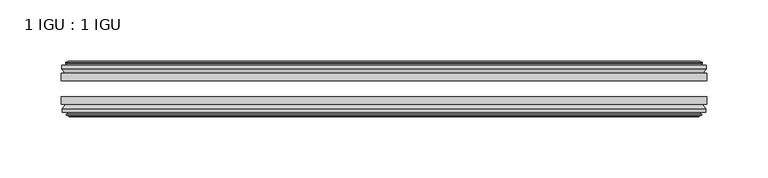
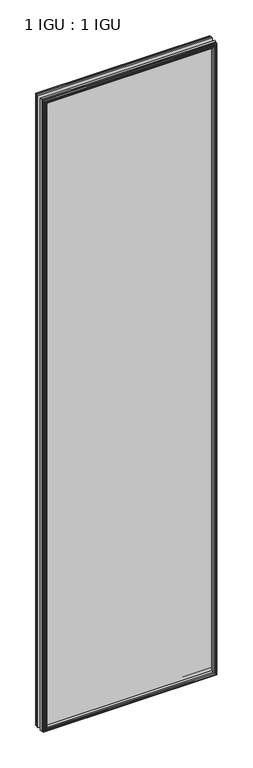
"""IFC4 building model written with IfcOpenShell, lengths in millimetres: plate geometry, 1 IGU : 1 IGU."""

from ifc_helpers import new_model, si_unit, frame, origin, place, context, project, spatial, polyline, outline, extrude, faceted_brep, source, transform, mapped, element, save


def plate_1_igu_1_igu_b132929a(model_context):
    return source(origin(), model_context, "Body", "SolidModel", [
        extrude(outline(polyline([(263.509125, -25.8960937), (263.509125, -32.2460938), (-263.509125, -32.2460938), (-263.509125, -25.8960937), (263.509125, -25.8960937)])), frame((0.0, 0.0, -12.7), z_axis=(0.0, 0.0, 1.0), x_axis=(1.0, 0.0, 0.0)), (0.0, 0.0, 1.0), 2019.3),
        extrude(outline(polyline([(-263.509125, -51.2960938), (-263.509125, -45.2686737), (263.509125, -45.2686737), (263.509125, -51.2960938), (-263.509125, -51.2960938)])), frame((0.0, 0.0, -12.7), z_axis=(0.0, 0.0, 1.0), x_axis=(1.0, 0.0, 0.0)), (0.0, 0.0, 1.0), 2019.3),
        faceted_brep([(-257.921125, -60.0262907, 2001.012), (-258.302125, -57.6460937, 2001.393), (-258.302125, -57.6460937, -7.493), (-257.921125, -60.0262907, -7.112), (-259.3366541, -59.5663575, 2002.4275291), (-259.3366541, -59.5663575, -8.5275291), (-259.3366541, -60.3675717, 2002.4275291), (-259.3366541, -60.3675717, -8.5275291), (-257.159125, -61.0750937, 2000.25), (-257.159125, -61.0750937, -6.35), (-254.9815959, -60.3675717, 1998.0724709), (-254.9815959, -60.3675717, -4.1724709), (-254.9815959, -59.5663575, 1998.0724709), (-254.9815959, -59.5663575, -4.1724709), (-256.397125, -60.0262907, 1999.488), (-256.397125, -60.0262907, -5.588), (-256.016125, -57.6460937, 1999.107), (-256.016125, -57.6460937, -5.207), (-249.0914069, -51.2960937, 1992.1822819), (-250.809125, -57.6460937, 1993.9), (-250.809125, -57.6460937, 0.0), (-249.0914069, -51.2960937, 1.7177181), (-262.747125, -54.6996937, 2005.838), (-259.9127828, -51.2960937, 2003.0036578), (-259.9127828, -51.2960937, -9.1036578), (-262.747125, -54.6996937, -11.938), (-262.747125, -57.6460937, 2005.838), (-262.747125, -57.6460937, -11.938), (258.302125, -57.6460938, -7.493), (257.921125, -60.0262907, -7.112), (259.3366541, -59.5663575, -8.5275291), (259.3366541, -60.3675717, -8.5275291), (257.159125, -61.0750937, -6.35), (254.9815959, -60.3675717, -4.1724709), (254.9815959, -59.5663575, -4.1724709), (256.397125, -60.0262907, -5.588), (256.016125, -57.6460937, -5.207), (250.809125, -57.6460937, 0.0), (249.0914069, -51.2960937, 1.7177181), (259.9127828, -51.2960937, -9.1036578), (262.747125, -54.6996937, -11.938), (262.747125, -57.6460938, -11.938), (258.302125, -57.6460938, 2001.393), (257.921125, -60.0262907, 2001.012), (259.3366541, -59.5663575, 2002.4275291), (259.3366541, -60.3675717, 2002.4275291), (257.159125, -61.0750937, 2000.25), (254.9815959, -60.3675717, 1998.0724709), (254.9815959, -59.5663575, 1998.0724709), (256.397125, -60.0262907, 1999.488), (256.016125, -57.6460937, 1999.107), (250.809125, -57.6460937, 1993.9), (249.0914069, -51.2960937, 1992.1822819), (259.9127828, -51.2960937, 2003.0036578), (262.747125, -54.6996937, 2005.838), (262.747125, -57.6460938, 2005.838)], [[[0, 1, 2, 3]], [[4, 0, 3, 5]], [[6, 4, 5, 7]], [[8, 6, 7, 9]], [[10, 8, 9, 11]], [[12, 10, 11, 13]], [[14, 12, 13, 15]], [[16, 14, 15, 17]], [[18, 19, 20, 21]], [[22, 23, 24, 25]], [[26, 22, 25, 27]], [[3, 2, 28, 29]], [[5, 3, 29, 30]], [[7, 5, 30, 31]], [[9, 7, 31, 32]], [[11, 9, 32, 33]], [[13, 11, 33, 34]], [[15, 13, 34, 35]], [[17, 15, 35, 36]], [[21, 20, 37, 38]], [[25, 24, 39, 40]], [[27, 25, 40, 41]], [[29, 28, 42, 43]], [[30, 29, 43, 44]], [[31, 30, 44, 45]], [[32, 31, 45, 46]], [[33, 32, 46, 47]], [[34, 33, 47, 48]], [[35, 34, 48, 49]], [[36, 35, 49, 50]], [[38, 37, 51, 52]], [[40, 39, 53, 54]], [[41, 40, 54, 55]], [[27, 41, 55, 26], [1, 42, 28, 2]], [[43, 42, 1, 0]], [[44, 43, 0, 4]], [[45, 44, 4, 6]], [[46, 45, 6, 8]], [[47, 46, 8, 10]], [[48, 47, 10, 12]], [[49, 48, 12, 14]], [[50, 49, 14, 16]], [[17, 36, 50, 16], [19, 51, 37, 20]], [[52, 51, 19, 18]], [[23, 53, 39, 24], [21, 38, 52, 18]], [[54, 53, 23, 22]], [[55, 54, 22, 26]]]),
        faceted_brep([(-260.4334828, -25.8960937, 2003.5243578), (-263.267825, -22.4924937, 2006.3587), (-263.267825, -22.4924937, -12.4587), (-260.4334828, -25.8960937, -9.6243578), (-251.329825, -19.5460937, 1994.4207), (-249.6121069, -25.8960937, 1992.7029819), (-249.6121069, -25.8960937, 1.1970181), (-251.329825, -19.5460937, -0.5207), (-256.917825, -17.1658968, 2000.0087), (-256.536825, -19.5460937, 1999.6277), (-256.536825, -19.5460937, -5.7277), (-256.917825, -17.1658968, -6.1087), (-255.5022959, -17.62583, 1998.5931709), (-255.5022959, -17.62583, -4.6931709), (-255.5022959, -16.8246158, 1998.5931709), (-255.5022959, -16.8246158, -4.6931709), (-257.679825, -16.1170937, 2000.7707), (-257.679825, -16.1170937, -6.8707), (-259.8573541, -16.8246158, 2002.9482291), (-259.8573541, -16.8246158, -9.0482291), (-259.8573541, -17.62583, 2002.9482291), (-259.8573541, -17.62583, -9.0482291), (-258.441825, -17.1658968, 2001.5327), (-258.441825, -17.1658968, -7.6327), (-258.822825, -19.5460937, 2001.9137), (-258.822825, -19.5460937, -8.0137), (-263.267825, -19.5460937, 2006.3587), (-263.267825, -19.5460937, -12.4587), (263.267825, -22.4924937, -12.4587), (260.4334828, -25.8960937, -9.6243578), (249.6121069, -25.8960937, 1.1970181), (251.329825, -19.5460937, -0.5207), (256.536825, -19.5460937, -5.7277), (256.917825, -17.1658968, -6.1087), (255.5022959, -17.62583, -4.6931709), (255.5022959, -16.8246158, -4.6931709), (257.679825, -16.1170937, -6.8707), (259.8573541, -16.8246158, -9.0482291), (259.8573541, -17.62583, -9.0482291), (258.441825, -17.1658968, -7.6327), (258.822825, -19.5460937, -8.0137), (263.267825, -19.5460937, -12.4587), (263.267825, -22.4924937, 2006.3587), (260.4334828, -25.8960937, 2003.5243578), (249.6121069, -25.8960937, 1992.7029819), (251.329825, -19.5460937, 1994.4207), (256.536825, -19.5460937, 1999.6277), (256.917825, -17.1658968, 2000.0087), (255.5022959, -17.62583, 1998.5931709), (255.5022959, -16.8246158, 1998.5931709), (257.679825, -16.1170937, 2000.7707), (259.8573541, -16.8246158, 2002.9482291), (259.8573541, -17.62583, 2002.9482291), (258.441825, -17.1658968, 2001.5327), (258.822825, -19.5460937, 2001.9137), (263.267825, -19.5460937, 2006.3587)], [[[0, 1, 2, 3]], [[4, 5, 6, 7]], [[8, 9, 10, 11]], [[12, 8, 11, 13]], [[14, 12, 13, 15]], [[16, 14, 15, 17]], [[18, 16, 17, 19]], [[20, 18, 19, 21]], [[22, 20, 21, 23]], [[24, 22, 23, 25]], [[1, 26, 27, 2]], [[3, 2, 28, 29]], [[7, 6, 30, 31]], [[11, 10, 32, 33]], [[13, 11, 33, 34]], [[15, 13, 34, 35]], [[17, 15, 35, 36]], [[19, 17, 36, 37]], [[21, 19, 37, 38]], [[23, 21, 38, 39]], [[25, 23, 39, 40]], [[2, 27, 41, 28]], [[29, 28, 42, 43]], [[31, 30, 44, 45]], [[33, 32, 46, 47]], [[34, 33, 47, 48]], [[35, 34, 48, 49]], [[36, 35, 49, 50]], [[37, 36, 50, 51]], [[38, 37, 51, 52]], [[39, 38, 52, 53]], [[40, 39, 53, 54]], [[28, 41, 55, 42]], [[43, 42, 1, 0]], [[3, 29, 43, 0], [5, 44, 30, 6]], [[45, 44, 5, 4]], [[9, 46, 32, 10], [7, 31, 45, 4]], [[47, 46, 9, 8]], [[48, 47, 8, 12]], [[49, 48, 12, 14]], [[50, 49, 14, 16]], [[51, 50, 16, 18]], [[52, 51, 18, 20]], [[53, 52, 20, 22]], [[54, 53, 22, 24]], [[26, 55, 41, 27], [25, 40, 54, 24]], [[42, 55, 26, 1]]]),
    ])


if __name__ == "__main__":
    model = new_model("IFC4")
    model_context = context("Model", 3, world=origin())
    ifc_project = project(units=[si_unit("LENGTHUNIT", "METRE", prefix="MILLI")], contexts=[model_context])
    site = spatial("IfcSite", under=ifc_project)
    building = spatial("IfcBuilding", under=site)
    placement = place(None, origin())
    plate_1_igu_1_igu_shape = plate_1_igu_1_igu_b132929a(model_context)
    element("IfcPlate", 1, ObjectType="1 IGU : 1 IGU", at=placement, inside=building, context=model_context, shape_type="MappedRepresentation", body=[
        mapped(plate_1_igu_1_igu_shape, transform((0.0, 0.0, 0.0), x_axis=(1.0, 0.0, 0.0), y_axis=(0.0, 1.0, 0.0), z_axis=(0.0, 0.0, 1.0))),
    ])
    save(model, "model.ifc")
